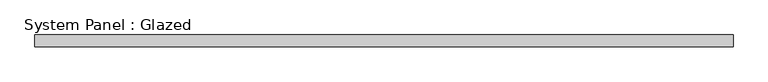
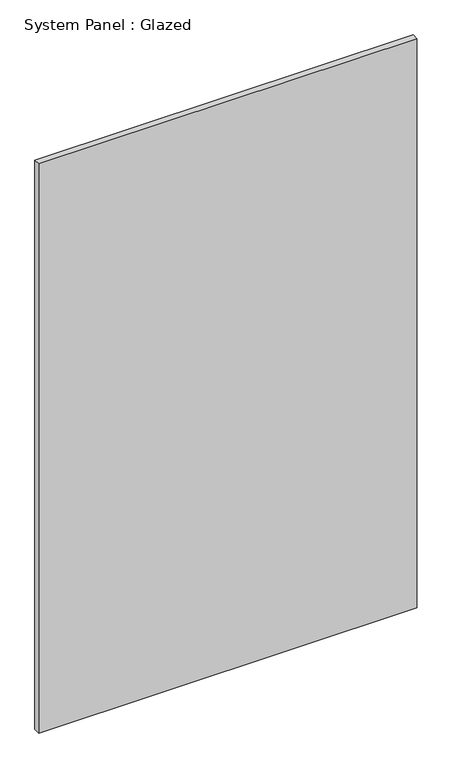
"""IFC4 building model written with IfcOpenShell, lengths in millimetres: plate geometry, System Panel : Glazed."""

from ifc_helpers import new_model, si_unit, origin, origin_with_axes, place, context, project, spatial, polyline, outline, extrude, source, transform, mapped, element, save


def system_panel_glazed_c85f2283(model_context):
    return source(origin(), model_context, "Body", "SweptSolid", [
        extrude(outline(polyline([(730.4552273, 24.5), (-730.4552273, 24.5), (-730.4552273, 49.5), (730.4552273, 49.5), (730.4552273, 24.5)])), origin_with_axes(), (0.0, 0.0, 1.0), 2325.0),
    ])


if __name__ == "__main__":
    model = new_model("IFC4")
    model_context = context("Model", 3, world=origin())
    ifc_project = project(units=[si_unit("LENGTHUNIT", "METRE", prefix="MILLI")], contexts=[model_context])
    site = spatial("IfcSite", under=ifc_project)
    building = spatial("IfcBuilding", under=site)
    placement = place(None, origin())
    system_panel_glazed_shape = system_panel_glazed_c85f2283(model_context)
    element("IfcPlate", 1, ObjectType="System Panel : Glazed", at=placement, inside=building, context=model_context, shape_type="MappedRepresentation", body=[
        mapped(system_panel_glazed_shape, transform((0.0, 0.0, 0.0), x_axis=(1.0, 0.0, 0.0), y_axis=(0.0, 1.0, 0.0), z_axis=(0.0, 0.0, 1.0))),
    ])
    save(model, "model.ifc")
